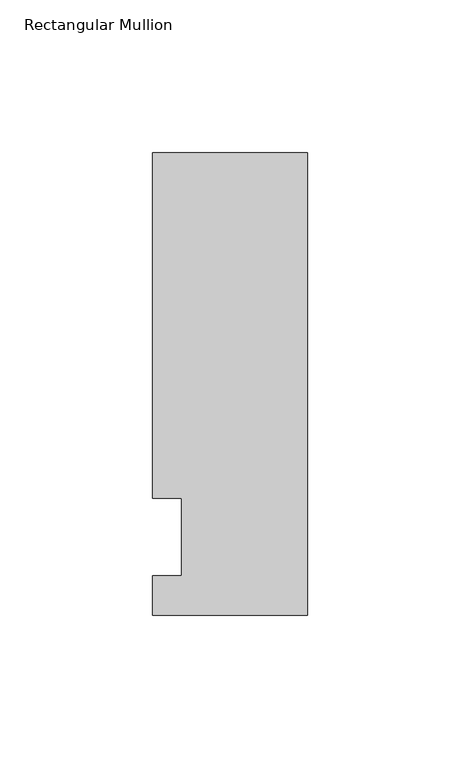
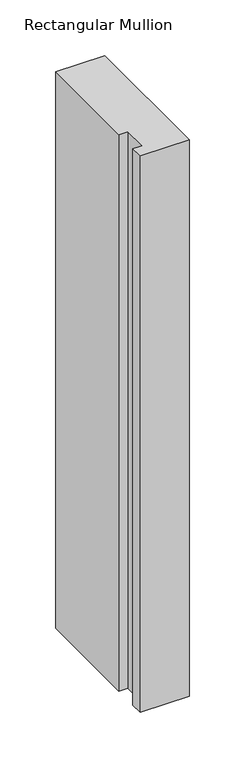
"""IFC4 building model written with IfcOpenShell, lengths in millimetres: member geometry, Rectangular Mullion."""

from ifc_helpers import new_model, si_unit, frame, origin, place, context, project, spatial, polyline, outline, extrude, source, transform, mapped, element, save


def rectangular_mullion_0d46c525(model_context):
    return source(origin(), model_context, "Body", "SweptSolid", [
        extrude(outline(polyline([(-50.8, -25.5827379), (-50.8, -12.7), (-41.275, -12.7), (-41.275, 12.7), (-50.8, 12.7), (-50.8, 125.8533), (0.0, 125.8533), (0.0, -25.5827379), (-50.8, -25.5827379)])), frame((0.0, 0.0, -609.6), z_axis=(0.0, 0.0, 1.0), x_axis=(1.0, 0.0, 0.0)), (0.0, 0.0, 1.0), 609.6),
    ])


if __name__ == "__main__":
    model = new_model("IFC4")
    model_context = context("Model", 3, world=origin())
    ifc_project = project(units=[si_unit("LENGTHUNIT", "METRE", prefix="MILLI")], contexts=[model_context])
    site = spatial("IfcSite", under=ifc_project)
    building = spatial("IfcBuilding", under=site)
    placement = place(None, origin())
    rectangular_mullion_shape = rectangular_mullion_0d46c525(model_context)
    element("IfcMember", 1, ObjectType="Rectangular Mullion", at=placement, inside=building, context=model_context, shape_type="MappedRepresentation", body=[
        mapped(rectangular_mullion_shape, transform((0.0, 0.0, 0.0), x_axis=(1.0, 0.0, 0.0), y_axis=(0.0, 1.0, 0.0), z_axis=(0.0, 0.0, 1.0))),
    ])
    save(model, "model.ifc")
